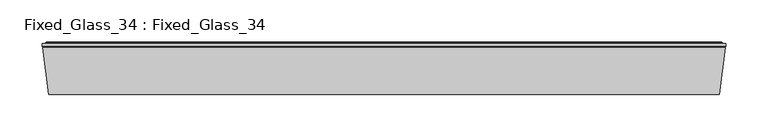
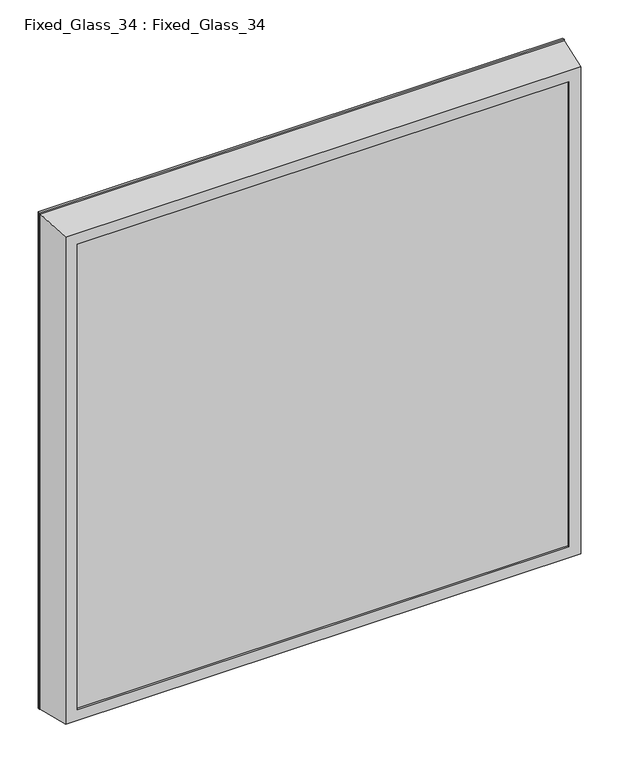
"""IFC4 building model written with IfcOpenShell, lengths in millimetres: proxy geometry, Fixed_Glass_34 : Fixed_Glass_34."""

from ifc_helpers import new_model, si_unit, frame, origin, place, context, project, spatial, polyline, ellipse_curve, outline, extrude, source, transform, mapped, element, save
from ifc_brep_helpers import plane_surface, cylinder_surface, advanced_brep


def fixed_glass_34_fixed_glass_34_fd37816b(model_context):
    return source(origin(), model_context, "Body", "SolidModel", [
        extrude(outline(polyline([(99.3164417, -59.989056), (-688.6835583, -59.989056), (-688.6835583, -25.989056), (99.3164417, -25.989056), (99.3164417, -59.989056)])), frame((0.0, 0.0, -127.3320772), z_axis=(0.0, 0.0, 1.0), x_axis=(1.0, 0.0, 0.0)), (0.0, 0.0, 1.0), 788.0),
        advanced_brep(
        [(85.3164417, -24.6551647, 646.6679228), (92.485073, -1.2076283, 653.8365541), (92.485073, -1.2076283, -120.5007084), (85.3164417, -24.6551647, -113.3320772), (85.3164417, -25.989056, 646.6679228), (85.3164417, -25.989056, -113.3320772), (99.3164417, -60.0, 660.6679228), (99.3164417, -25.989056, 660.6679228), (99.3164417, -25.989056, -127.3320772), (99.3164417, -60.0, -127.3320772), (85.3164417, -63.0, 646.6679228), (85.3164417, -60.0, 646.6679228), (85.3164417, -60.0, -113.3320772), (85.3164417, -63.0, -113.3320772), (110.1384667, -7.4390653, 671.4899478), (103.3164417, -63.0, 664.6679228), (103.3164417, -63.0, -131.3320772), (110.1384667, -7.4390653, -138.1541021), (110.9164417, -5.8, 672.2679228), (110.9164417, -5.8, -138.9320772), (110.9164417, -2.5, 672.2679228), (110.9164417, -2.5, -138.9320772), (106.5364417, -1.5, 667.8879228), (106.5364417, -2.5, 667.8879228), (106.5364417, -2.5, -134.5520772), (106.5364417, -1.5, -134.5520772), (105.5364417, -0.5, 666.8879228), (105.5364417, -0.5, -133.5520772), (93.4413777, -0.5, 654.7928589), (93.4413777, -0.5, -121.4570132), (-681.8521896, -1.2076283, -120.5007084), (-674.6835583, -24.6551647, -113.3320772), (-674.6835583, -25.989056, -113.3320772), (-688.6835583, -25.989056, -127.3320772), (-688.6835583, -60.0, -127.3320772), (-674.6835583, -60.0, -113.3320772), (-674.6835583, -63.0, -113.3320772), (-692.6835583, -63.0, -131.3320772), (-699.5055833, -7.4390653, -138.1541021), (-700.2835583, -5.8, -138.9320772), (-700.2835583, -2.5, -138.9320772), (-695.9035583, -2.5, -134.5520772), (-695.9035583, -1.5, -134.5520772), (-694.9035583, -0.5, -133.5520772), (-682.8084943, -0.5, -121.4570132), (-681.8521896, -1.2076283, 653.8365541), (-674.6835583, -24.6551647, 646.6679228), (-674.6835583, -25.989056, 646.6679228), (-688.6835583, -25.989056, 660.6679228), (-688.6835583, -60.0, 660.6679228), (-674.6835583, -60.0, 646.6679228), (-674.6835583, -63.0, 646.6679228), (-692.6835583, -63.0, 664.6679228), (-699.5055833, -7.4390653, 671.4899478), (-700.2835583, -5.8, 672.2679228), (-700.2835583, -2.5, 672.2679228), (-695.9035583, -2.5, 667.8879228), (-695.9035583, -1.5, 667.8879228), (-694.9035583, -0.5, 666.8879228), (-682.8084943, -0.5, 654.7928589)],
        [
            (0, 1),
            (1, 2),
            (2, 3),
            (3, 0),
            (4, 0),
            (3, 5),
            (5, 4),
            (6, 7),
            (7, 8),
            (8, 9),
            (9, 6),
            (10, 11),
            (11, 12),
            (12, 13),
            (13, 10),
            (14, 15),
            (15, 16),
            (16, 17),
            (17, 14),
            (18, 14),
            (17, 19),
            (19, 18),
            (20, 18),
            (19, 21),
            (21, 20),
            (22, 23),
            (23, 24),
            (24, 25),
            (25, 22),
            (26, 22, ellipse_curve(frame((105.5364417, -1.5, 666.8879228), z_axis=(0.7071067811865475, 0.0, -0.7071067811865475), x_axis=(0.7071067811865474, 0.0, 0.7071067811865476)), 1.4142136, 1.0)),
            (25, 27, ellipse_curve(frame((105.5364417, -1.5, -133.5520772), z_axis=(0.7071067811865475, 0.0, 0.7071067811865475), x_axis=(-0.7071067811865474, 0.0, 0.7071067811865476)), 1.4142136, 1.0)),
            (27, 26),
            (1, 28, ellipse_curve(frame((93.4413777, -1.5, 654.7928589), z_axis=(0.7071067811865475, 0.0, -0.7071067811865475), x_axis=(0.7071067811865474, 0.0, 0.7071067811865476)), 1.4142136, 1.0)),
            (28, 29),
            (29, 2, ellipse_curve(frame((93.4413777, -1.5, -121.4570132), z_axis=(0.7071067811865475, 0.0, 0.7071067811865475), x_axis=(-0.7071067811865474, 0.0, 0.7071067811865476)), 1.4142136, 1.0)),
            (2, 30),
            (30, 31),
            (31, 3),
            (31, 32),
            (32, 5),
            (8, 33),
            (33, 34),
            (34, 9),
            (12, 35),
            (35, 36),
            (36, 13),
            (16, 37),
            (37, 38),
            (38, 17),
            (38, 39),
            (39, 19),
            (39, 40),
            (40, 21),
            (24, 41),
            (41, 42),
            (42, 25),
            (42, 43, ellipse_curve(frame((-694.9035583, -1.5, -133.5520772), z_axis=(0.7071067811865475, 0.0, -0.7071067811865475), x_axis=(0.7071067811865476, 0.0, 0.7071067811865474)), 1.4142136, 1.0)),
            (43, 27),
            (29, 44),
            (44, 30, ellipse_curve(frame((-682.8084943, -1.5, -121.4570132), z_axis=(0.7071067811865475, 0.0, -0.7071067811865475), x_axis=(0.7071067811865476, 0.0, 0.7071067811865474)), 1.4142136, 1.0)),
            (30, 45),
            (45, 46),
            (46, 31),
            (46, 47),
            (47, 32),
            (33, 48),
            (48, 49),
            (49, 34),
            (35, 50),
            (50, 51),
            (51, 36),
            (37, 52),
            (52, 53),
            (53, 38),
            (53, 54),
            (54, 39),
            (54, 55),
            (55, 40),
            (41, 56),
            (56, 57),
            (57, 42),
            (57, 58, ellipse_curve(frame((-694.9035583, -1.5, 666.8879228), z_axis=(-0.7071067811865475, 0.0, -0.7071067811865475), x_axis=(0.7071067811865474, 0.0, -0.7071067811865476)), 1.4142136, 1.0)),
            (58, 43),
            (44, 59),
            (59, 45, ellipse_curve(frame((-682.8084943, -1.5, 654.7928589), z_axis=(-0.7071067811865475, 0.0, -0.7071067811865475), x_axis=(0.7071067811865474, 0.0, -0.7071067811865476)), 1.4142136, 1.0)),
            (45, 1),
            (0, 46),
            (4, 47),
            (7, 48),
            (6, 49),
            (11, 50),
            (10, 51),
            (15, 52),
            (14, 53),
            (18, 54),
            (20, 55),
            (23, 56),
            (22, 57),
            (26, 58),
            (28, 59),
        ],
        [
            plane_surface(frame((92.485073, -1.2076283, 653.8365541), z_axis=(-0.956304755963033, 0.292371704722745, 0.0), x_axis=(0.0, 0.0, -1.0))),
            plane_surface(frame((85.3164417, -24.6551647, 646.6679228), z_axis=(-1.0, 0.0, 0.0), x_axis=(0.0, 0.0, -1.0))),
            plane_surface(frame((99.3164417, -25.989056, 660.6679228), z_axis=(-1.0, 0.0, 0.0), x_axis=(0.0, 0.0, -1.0))),
            plane_surface(frame((85.3164417, -60.0, 646.6679228), z_axis=(-1.0, 0.0, 0.0), x_axis=(0.0, 0.0, -1.0))),
            plane_surface(frame((103.3164417, -63.0, 664.6679228), z_axis=(0.9925461516413232, -0.1218693434051386, 0.0), x_axis=(0.0, 0.0, -1.0))),
            plane_surface(frame((110.1384667, -7.4390653, 671.4899478), z_axis=(0.9034015732556399, -0.4287955193786835, 0.0), x_axis=(0.0, 0.0, -1.0))),
            plane_surface(frame((110.9164417, -5.8, 672.2679228), z_axis=(1.0, 0.0, 0.0), x_axis=(0.0, 0.0, -1.0))),
            plane_surface(frame((106.5364417, -2.5, 667.8879228), z_axis=(1.0, 0.0, 0.0), x_axis=(0.0, 0.0, -1.0))),
            cylinder_surface(frame((105.5364417, -1.5, 696.6679228), z_axis=(0.0, 0.0, 1.0), x_axis=(0.0, -1.0, 0.0)), 1.0),
            cylinder_surface(frame((93.4413777, -1.5, 696.6679228), z_axis=(0.0, 0.0, 1.0), x_axis=(0.0, -1.0, 0.0)), 1.0),
            plane_surface(frame((92.485073, -1.2076283, -120.5007084), z_axis=(0.0, 0.292371704722745, 0.956304755963033), x_axis=(-1.0, 0.0, 0.0))),
            plane_surface(frame((85.3164417, -24.6551647, -113.3320772), z_axis=(0.0, 0.0, 1.0), x_axis=(-1.0, 0.0, 0.0))),
            plane_surface(frame((99.3164417, -25.989056, -127.3320772), z_axis=(0.0, 0.0, 1.0), x_axis=(-1.0, 0.0, 0.0))),
            plane_surface(frame((85.3164417, -60.0, -113.3320772), z_axis=(0.0, 0.0, 1.0), x_axis=(-1.0, 0.0, 0.0))),
            plane_surface(frame((103.3164417, -63.0, -131.3320772), z_axis=(0.0, -0.1218693434051386, -0.9925461516413232), x_axis=(-1.0, 0.0, 0.0))),
            plane_surface(frame((110.1384667, -7.4390653, -138.1541021), z_axis=(0.0, -0.4287955193786835, -0.9034015732556399), x_axis=(-1.0, 0.0, 0.0))),
            plane_surface(frame((110.9164417, -5.8, -138.9320772), z_axis=(0.0, 0.0, -1.0), x_axis=(-1.0, 0.0, 0.0))),
            plane_surface(frame((106.5364417, -2.5, -134.5520772), z_axis=(0.0, 0.0, -1.0), x_axis=(-1.0, 0.0, 0.0))),
            cylinder_surface(frame((135.3164417, -1.5, -133.5520772), z_axis=(1.0, 0.0, 0.0), x_axis=(0.0, -1.0, 0.0)), 1.0),
            cylinder_surface(frame((135.3164417, -1.5, -121.4570132), z_axis=(1.0, 0.0, 0.0), x_axis=(0.0, -1.0, 0.0)), 1.0),
            plane_surface(frame((-681.8521896, -1.2076283, -120.5007084), z_axis=(0.956304755963033, 0.292371704722745, 0.0), x_axis=(0.0, 0.0, 1.0))),
            plane_surface(frame((-674.6835583, -24.6551647, -113.3320772), z_axis=(1.0, 0.0, 0.0), x_axis=(0.0, 0.0, 1.0))),
            plane_surface(frame((-688.6835583, -25.989056, -127.3320772), z_axis=(1.0, 0.0, 0.0), x_axis=(0.0, 0.0, 1.0))),
            plane_surface(frame((-674.6835583, -60.0, -113.3320772), z_axis=(1.0, 0.0, 0.0), x_axis=(0.0, 0.0, 1.0))),
            plane_surface(frame((-692.6835583, -63.0, -131.3320772), z_axis=(-0.9925461516413232, -0.1218693434051386, 0.0), x_axis=(0.0, 0.0, 1.0))),
            plane_surface(frame((-699.5055833, -7.4390653, -138.1541021), z_axis=(-0.9034015732556399, -0.4287955193786835, 0.0), x_axis=(0.0, 0.0, 1.0))),
            plane_surface(frame((-700.2835583, -5.8, -138.9320772), z_axis=(-1.0, 0.0, 0.0), x_axis=(0.0, 0.0, 1.0))),
            plane_surface(frame((-695.9035583, -2.5, -134.5520772), z_axis=(-1.0, 0.0, 0.0), x_axis=(0.0, 0.0, 1.0))),
            cylinder_surface(frame((-694.9035583, -1.5, -163.3320772), z_axis=(0.0, 0.0, -1.0), x_axis=(0.0, -1.0, 0.0)), 1.0),
            cylinder_surface(frame((-682.8084943, -1.5, -163.3320772), z_axis=(0.0, 0.0, -1.0), x_axis=(0.0, -1.0, 0.0)), 1.0),
            plane_surface(frame((-681.8521896, -1.2076283, 653.8365541), z_axis=(0.0, 0.292371704722745, -0.956304755963033), x_axis=(1.0, 0.0, 0.0))),
            plane_surface(frame((-674.6835583, -24.6551647, 646.6679228), z_axis=(0.0, 0.0, -1.0), x_axis=(1.0, 0.0, 0.0))),
            plane_surface(frame((-674.6835583, -25.989056, 646.6679228), z_axis=(0.0, -1.0, 0.0), x_axis=(1.0, 0.0, 0.0))),
            plane_surface(frame((-688.6835583, -25.989056, 660.6679228), z_axis=(0.0, 0.0, -1.0), x_axis=(1.0, 0.0, 0.0))),
            plane_surface(frame((-688.6835583, -60.0, 660.6679228), z_axis=(0.0, 1.0, 0.0), x_axis=(1.0, 0.0, 0.0))),
            plane_surface(frame((-674.6835583, -60.0, 646.6679228), z_axis=(0.0, 0.0, -1.0), x_axis=(1.0, 0.0, 0.0))),
            plane_surface(frame((-674.6835583, -63.0, 646.6679228), z_axis=(0.0, -1.0, 0.0), x_axis=(1.0, 0.0, 0.0))),
            plane_surface(frame((-692.6835583, -63.0, 664.6679228), z_axis=(0.0, -0.1218693434051386, 0.9925461516413232), x_axis=(1.0, 0.0, 0.0))),
            plane_surface(frame((-699.5055833, -7.4390653, 671.4899478), z_axis=(0.0, -0.4287955193786835, 0.9034015732556399), x_axis=(1.0, 0.0, 0.0))),
            plane_surface(frame((-700.2835583, -5.8, 672.2679228), z_axis=(0.0, 0.0, 1.0), x_axis=(1.0, 0.0, 0.0))),
            plane_surface(frame((-700.2835583, -2.5, 672.2679228), z_axis=(0.0, 1.0, 0.0), x_axis=(1.0, 0.0, 0.0))),
            plane_surface(frame((-695.9035583, -2.5, 667.8879228), z_axis=(0.0, 0.0, 1.0), x_axis=(1.0, 0.0, 0.0))),
            cylinder_surface(frame((-724.6835583, -1.5, 666.8879228), z_axis=(-1.0, 0.0, 0.0), x_axis=(0.0, -1.0, 0.0)), 1.0),
            plane_surface(frame((-694.9035583, -0.5, 666.8879228), z_axis=(0.0, 1.0, 0.0), x_axis=(1.0, 0.0, 0.0))),
            cylinder_surface(frame((-724.6835583, -1.5, 654.7928589), z_axis=(-1.0, 0.0, 0.0), x_axis=(0.0, -1.0, 0.0)), 1.0),
        ],
        [
            (0, [[1, 2, 3, 4]]),
            (1, [[5, -4, 6, 7]]),
            (2, [[8, 9, 10, 11]]),
            (3, [[12, 13, 14, 15]]),
            (4, [[16, 17, 18, 19]]),
            (5, [[20, -19, 21, 22]]),
            (6, [[23, -22, 24, 25]]),
            (7, [[26, 27, 28, 29]]),
            (8, [[30, -29, 31, 32]]),
            (9, [[33, 34, 35, -2]]),
            (10, [[-3, 36, 37, 38]]),
            (11, [[-6, -38, 39, 40]]),
            (12, [[-10, 41, 42, 43]]),
            (13, [[-14, 44, 45, 46]]),
            (14, [[-18, 47, 48, 49]]),
            (15, [[-21, -49, 50, 51]]),
            (16, [[-24, -51, 52, 53]]),
            (17, [[-28, 54, 55, 56]]),
            (18, [[-31, -56, 57, 58]]),
            (19, [[-35, 59, 60, -36]]),
            (20, [[-37, 61, 62, 63]]),
            (21, [[-39, -63, 64, 65]]),
            (22, [[-42, 66, 67, 68]]),
            (23, [[-45, 69, 70, 71]]),
            (24, [[-48, 72, 73, 74]]),
            (25, [[-50, -74, 75, 76]]),
            (26, [[-52, -76, 77, 78]]),
            (27, [[-55, 79, 80, 81]]),
            (28, [[-57, -81, 82, 83]]),
            (29, [[-60, 84, 85, -61]]),
            (30, [[-62, 86, -1, 87]]),
            (31, [[-64, -87, -5, 88]]),
            (32, [[89, -66, -41, -9], [-40, -65, -88, -7]]),
            (33, [[-67, -89, -8, 90]]),
            (34, [[-43, -68, -90, -11], [91, -69, -44, -13]]),
            (35, [[-70, -91, -12, 92]]),
            (36, [[93, -72, -47, -17], [-46, -71, -92, -15]]),
            (37, [[-73, -93, -16, 94]]),
            (38, [[-75, -94, -20, 95]]),
            (39, [[-77, -95, -23, 96]]),
            (40, [[-53, -78, -96, -25], [97, -79, -54, -27]]),
            (41, [[-80, -97, -26, 98]]),
            (42, [[-82, -98, -30, 99]]),
            (43, [[-58, -83, -99, -32], [100, -84, -59, -34]]),
            (44, [[-85, -100, -33, -86]]),
        ],
    ),
    ])


if __name__ == "__main__":
    model = new_model("IFC4")
    model_context = context("Model", 3, world=origin())
    ifc_project = project(units=[si_unit("LENGTHUNIT", "METRE", prefix="MILLI")], contexts=[model_context])
    site = spatial("IfcSite", under=ifc_project)
    building = spatial("IfcBuilding", under=site)
    placement = place(None, origin())
    fixed_glass_34_fixed_glass_34_shape = fixed_glass_34_fixed_glass_34_fd37816b(model_context)
    element("IfcBuildingElementProxy", 1, Name="Fixed_Glass_34 : Fixed_Glass_34", ObjectType="Fixed_Glass_34 : Fixed_Glass_34", at=placement, inside=building, context=model_context, shape_type="MappedRepresentation", body=[
        mapped(fixed_glass_34_fixed_glass_34_shape, transform((0.0, 0.0, 0.0), x_axis=(1.0, 0.0, 0.0), y_axis=(0.0, 1.0, 0.0), z_axis=(0.0, 0.0, 1.0))),
    ])
    save(model, "model.ifc")
